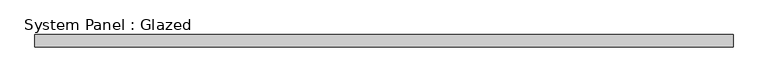
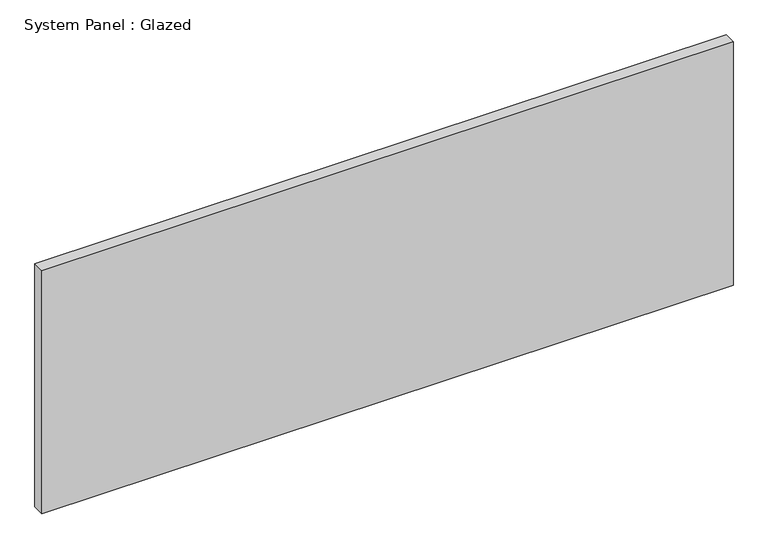
"""IFC4 building model written with IfcOpenShell, lengths in millimetres: plate geometry, System Panel : Glazed."""

from ifc_helpers import new_model, si_unit, origin, origin_with_axes, place, context, project, spatial, polyline, outline, extrude, source, transform, mapped, element, save


def system_panel_glazed_dbb45631(model_context):
    return source(origin(), model_context, "Body", "SweptSolid", [
        extrude(outline(polyline([(705.9210526, 24.5), (-705.9210526, 24.5), (-705.9210526, 49.5), (705.9210526, 49.5), (705.9210526, 24.5)])), origin_with_axes(), (0.0, 0.0, 1.0), 525.0),
    ])


if __name__ == "__main__":
    model = new_model("IFC4")
    model_context = context("Model", 3, world=origin())
    ifc_project = project(units=[si_unit("LENGTHUNIT", "METRE", prefix="MILLI")], contexts=[model_context])
    site = spatial("IfcSite", under=ifc_project)
    building = spatial("IfcBuilding", under=site)
    placement = place(None, origin())
    system_panel_glazed_shape = system_panel_glazed_dbb45631(model_context)
    element("IfcPlate", 1, ObjectType="System Panel : Glazed", at=placement, inside=building, context=model_context, shape_type="MappedRepresentation", body=[
        mapped(system_panel_glazed_shape, transform((0.0, 0.0, 0.0), x_axis=(1.0, 0.0, 0.0), y_axis=(0.0, 1.0, 0.0), z_axis=(0.0, 0.0, 1.0))),
    ])
    save(model, "model.ifc")
